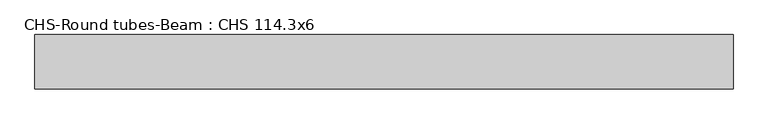
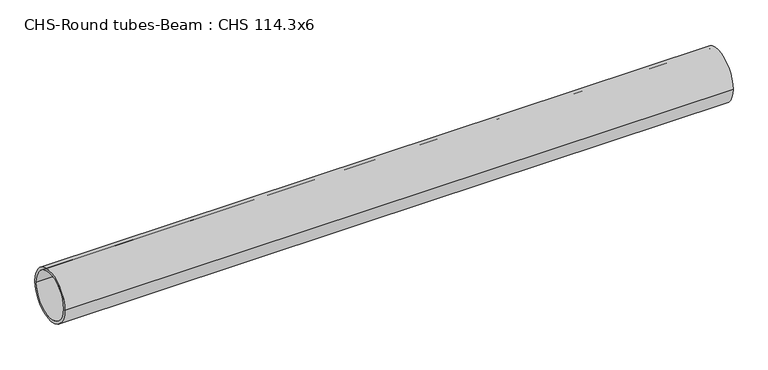
"""IFC4 building model written with IfcOpenShell, lengths in millimetres: beam geometry, CHS-Round tubes-Beam : CHS 114.3x6."""

import ifcopenshell
import ifcopenshell.guid

model = None  # the IFC model being written
_history = None  # IfcOwnerHistory: only IFC2X3 demands one
_inside = {}  # id of a spatial element -> (the spatial element, [elements in it])
_under = {}  # id of a project, library or spatial element -> (it, [spatial elements below it])
_declared = {}  # id of a project -> (the project, [libraries it declares])
_typed = {}  # id of a type object -> (the type object, [elements of that type])
_made_of = {}  # id of a material, layer set ... -> (it, [elements and type objects made of it])


def new_model(schema):
    """Start an empty IFC model of exactly this schema.

    Asked for "IFC4X3", IfcOpenShell would pick the latest addendum, in which some entities
    have other attributes; the version numbers below select the first issue.
    IFC2X3 requires an IfcOwnerHistory on every rooted entity: one is made here for all.
    """
    global model, _history
    if schema == "IFC4X3":
        model = ifcopenshell.file(schema_version=(4, 3, 0, 0))
    else:
        model = ifcopenshell.file(schema=schema)
    _inside.clear()
    _under.clear()
    _declared.clear()
    _typed.clear()
    _made_of.clear()
    _history = None
    if model.schema == "IFC2X3":
        org = make("IfcOrganization", Name="unknown")
        user = make(
            "IfcPersonAndOrganization",
            ThePerson=make("IfcPerson", FamilyName="unknown"),
            TheOrganization=org,
        )
        app = make(
            "IfcApplication",
            ApplicationDeveloper=org,
            Version="unknown",
            ApplicationFullName="unknown",
            ApplicationIdentifier="unknown",
        )
        _history = make(
            "IfcOwnerHistory",
            OwningUser=user,
            OwningApplication=app,
            ChangeAction="ADDED",
            CreationDate=0,
        )
    return model


def make(cls, **values):
    """One entity of the class cls with the attributes given. An attribute that is None is left unset."""
    return model.create_entity(
        cls, **{name: value for name, value in values.items() if value is not None}
    )


def rooted(cls, **values):
    """An entity with a GlobalId (a new one), such as an element, a storey or a relation."""
    return make(cls, GlobalId=ifcopenshell.guid.new(), OwnerHistory=_history, **values)


def si_unit(unit_type, name, prefix=None):
    """IfcSIUnit, for example si_unit("LENGTHUNIT", "METRE", prefix="MILLI")."""
    return make("IfcSIUnit", UnitType=unit_type, Prefix=prefix, Name=name)


def assignment(units):
    """IfcUnitAssignment: the units of a project."""
    return None if units is None else make("IfcUnitAssignment", Units=units)


def point(xyz):
    """IfcCartesianPoint."""
    return None if xyz is None else make("IfcCartesianPoint", Coordinates=xyz)


def direction(xyz):
    """IfcDirection."""
    return None if xyz is None else make("IfcDirection", DirectionRatios=xyz)


def frame(location, z_axis=None, x_axis=None):
    """IfcAxis2Placement3D, a coordinate frame: its origin and axes. An axis left out is left unset."""
    return make(
        "IfcAxis2Placement3D",
        Location=point(location),
        Axis=direction(z_axis),
        RefDirection=direction(x_axis),
    )


def frame_2d(location, x_axis=None):
    """IfcAxis2Placement2D, a coordinate frame in the plane: its origin and x axis."""
    return make(
        "IfcAxis2Placement2D", Location=point(location), RefDirection=direction(x_axis)
    )


def origin():
    """The frame at (0, 0, 0) with its axes left unset."""
    return frame((0.0, 0.0, 0.0))


def origin_2d():
    """The frame at (0, 0) in the plane with its x axis left unset."""
    return frame_2d((0.0, 0.0))


def place(relative_to, where):
    """IfcLocalPlacement: puts the frame where relative to a parent placement (None: the world)."""
    return make(
        "IfcLocalPlacement", PlacementRelTo=relative_to, RelativePlacement=where
    )


def context(
    kind, dimensions, precision=None, world=None, true_north=None, identifier=None
):
    """IfcGeometricRepresentationContext, for example the 3D "Model" context."""
    return make(
        "IfcGeometricRepresentationContext",
        ContextIdentifier=identifier,
        ContextType=kind,
        CoordinateSpaceDimension=dimensions,
        Precision=precision,
        WorldCoordinateSystem=world,
        TrueNorth=true_north,
    )


def project(units=None, contexts=None):
    """IfcProject with its units and contexts."""
    return rooted(
        "IfcProject",
        Name="project",
        RepresentationContexts=contexts,
        UnitsInContext=assignment(units),
    )


def spatial(cls, under=None, at=None, **own):
    """A site, building, storey or space (cls), placed at a placement, below another one or the project."""
    s = rooted(cls, ObjectPlacement=at, **own)
    if under is not None:
        _under.setdefault(under.id(), (under, []))[1].append(s)
    return s


def circle_curve(where, radius):
    """IfcCircle in the frame where."""
    return make("IfcCircle", Position=where, Radius=radius)


def trimmed(basis, trim1, trim2, sense, master):
    """IfcTrimmedCurve: the piece of a basis curve between two trims."""
    return make(
        "IfcTrimmedCurve",
        BasisCurve=basis,
        Trim1=trim1,
        Trim2=trim2,
        SenseAgreement=sense,
        MasterRepresentation=master,
    )


def segment(curve, same_sense, transition):
    """IfcCompositeCurveSegment."""
    return make(
        "IfcCompositeCurveSegment",
        Transition=transition,
        SameSense=same_sense,
        ParentCurve=curve,
    )


def composite_curve(segments, self_intersect=None):
    """IfcCompositeCurve: segments joined end to end."""
    return make("IfcCompositeCurve", Segments=segments, SelfIntersect=self_intersect)


def outline(outer, holes=None, kind="AREA"):
    """IfcArbitraryClosedProfileDef: a profile drawn as a closed curve; with holes, ...WithVoids."""
    if holes is None:
        return make("IfcArbitraryClosedProfileDef", ProfileType=kind, OuterCurve=outer)
    return make(
        "IfcArbitraryProfileDefWithVoids",
        ProfileType=kind,
        OuterCurve=outer,
        InnerCurves=holes,
    )


def extrude(swept, where, along, depth):
    """IfcExtrudedAreaSolid: the profile swept, set in the frame where, extruded along a direction by depth."""
    return make(
        "IfcExtrudedAreaSolid",
        SweptArea=swept,
        Position=where,
        ExtrudedDirection=direction(along),
        Depth=depth,
    )


def shape(context_of_items, identifier, shape_type, items):
    """IfcShapeRepresentation: the items that make up one representation, for example the "Body"."""
    return make(
        "IfcShapeRepresentation",
        ContextOfItems=context_of_items,
        RepresentationIdentifier=identifier,
        RepresentationType=shape_type,
        Items=items,
    )


def source(mapping_origin, context_of_items, identifier, shape_type, items):
    """IfcRepresentationMap: a shape defined once, which mapped items show again and again."""
    return make(
        "IfcRepresentationMap",
        MappingOrigin=mapping_origin,
        MappedRepresentation=shape(context_of_items, identifier, shape_type, items),
    )


def transform(
    local_origin,
    x_axis=None,
    y_axis=None,
    z_axis=None,
    scale=None,
    scale2=None,
    scale3=None,
    uniform=True,
):
    """IfcCartesianTransformationOperator3D, or its non-uniform kind. x_axis, y_axis, z_axis: its Axis1, 2, 3."""
    if uniform:
        return make(
            "IfcCartesianTransformationOperator3D",
            Axis1=direction(x_axis),
            Axis2=direction(y_axis),
            LocalOrigin=point(local_origin),
            Scale=scale,
            Axis3=direction(z_axis),
        )
    return make(
        "IfcCartesianTransformationOperator3DnonUniform",
        Axis1=direction(x_axis),
        Axis2=direction(y_axis),
        LocalOrigin=point(local_origin),
        Scale=scale,
        Axis3=direction(z_axis),
        Scale2=scale2,
        Scale3=scale3,
    )


def mapped(mapping_source, mapping_target):
    """IfcMappedItem: shows the shape of a source again, moved by a transform."""
    return make(
        "IfcMappedItem", MappingSource=mapping_source, MappingTarget=mapping_target
    )


def made_of(thing, what):
    """Note that an element or type object is made of a material, layer set ...; save() writes the relation."""
    if what is not None:
        _made_of.setdefault(what.id(), (what, []))[1].append(thing)
    return thing


def element(
    cls,
    number,
    at=None,
    inside=None,
    cuts=None,
    type_object=None,
    material=None,
    context=None,
    identifier="Body",
    shape_type=None,
    held_by="IfcProductDefinitionShape",
    body=None,
    shapes=None,
    **own,
):
    """One element of the class cls, such as IfcWall. Its Tag is "e" and its number.

    at: its placement. inside: the storey or other place that contains it. cuts: it is an
    opening in that element (IfcRelVoidsElement). A single representation is given by context,
    identifier, shape_type and body (its items); several are given by shapes. held_by: the class
    of the entity that holds the representations. save() writes the other relations.
    """
    e = rooted(cls, Tag="e%d" % number, ObjectPlacement=at, **own)
    if body is not None:
        shapes = [shape(context, identifier, shape_type, body)]
    if shapes is not None:
        e.Representation = make(held_by, Representations=shapes)
    if inside is not None:
        _inside.setdefault(inside.id(), (inside, []))[1].append(e)
    if cuts is not None:
        rooted(
            "IfcRelVoidsElement", RelatingBuildingElement=cuts, RelatedOpeningElement=e
        )
    if type_object is not None:
        _typed.setdefault(type_object.id(), (type_object, []))[1].append(e)
    return made_of(e, material)


def aggregate(whole, parts):
    """IfcRelAggregates: a whole, such as a stair, and the parts it consists of."""
    return rooted("IfcRelAggregates", RelatingObject=whole, RelatedObjects=parts)


def save(model, path):
    """Write the relations noted so far, then the file.

    IfcRelAggregates (storeys below a building ...), IfcRelContainedInSpatialStructure (elements
    in a storey), IfcRelDefinesByType, IfcRelAssociatesMaterial and IfcRelDeclares: one each for
    every whole, place, type object, material and project.
    """
    for whole, parts in _under.values():
        aggregate(whole, parts)
    for where, things in _inside.values():
        rooted(
            "IfcRelContainedInSpatialStructure",
            RelatedElements=things,
            RelatingStructure=where,
        )
    for kind, things in _typed.values():
        rooted("IfcRelDefinesByType", RelatedObjects=things, RelatingType=kind)
    for what, things in _made_of.values():
        rooted("IfcRelAssociatesMaterial", RelatedObjects=things, RelatingMaterial=what)
    for by, libraries in _declared.values():
        rooted("IfcRelDeclares", RelatingContext=by, RelatedDefinitions=libraries)
    model.write(path)


def chs_round_tubes_beam_chs_114_3x6_c0ee7112(model_context):
    return source(origin(), model_context, "Body", "SweptSolid", [
        extrude(outline(composite_curve([segment(trimmed(circle_curve(origin_2d(), 57.15), [point((57.15, 0.0))], [point((-57.15, 0.0))], False, "CARTESIAN"), True, "CONTINUOUS"), segment(trimmed(circle_curve(origin_2d(), 57.15), [point((-57.15, 0.0))], [point((57.15, 0.0))], False, "CARTESIAN"), True, "CONTINUOUS")], self_intersect=False), holes=[composite_curve([segment(trimmed(circle_curve(origin_2d(), 51.15), [point((51.15, 0.0))], [point((-51.15, 0.0))], True, "CARTESIAN"), True, "CONTINUOUS"), segment(trimmed(circle_curve(origin_2d(), 51.15), [point((-51.15, 0.0))], [point((51.15, 0.0))], True, "CARTESIAN"), True, "CONTINUOUS")], self_intersect=False)]), frame((-736.5214473, 0.0, 0.0), z_axis=(1.0, 0.0, 0.0), x_axis=(0.0, 1.0, 0.0)), (0.0, 0.0, 1.0), 1472.9822337),
    ])


if __name__ == "__main__":
    model = new_model("IFC4")
    model_context = context("Model", 3, world=origin())
    ifc_project = project(units=[si_unit("LENGTHUNIT", "METRE", prefix="MILLI")], contexts=[model_context])
    site = spatial("IfcSite", under=ifc_project)
    building = spatial("IfcBuilding", under=site)
    placement = place(None, origin())
    chs_round_tubes_beam_chs_114_3x6_shape = chs_round_tubes_beam_chs_114_3x6_c0ee7112(model_context)
    element("IfcBeam", 1, ObjectType="CHS-Round tubes-Beam : CHS 114.3x6", at=placement, inside=building, context=model_context, shape_type="MappedRepresentation", body=[
        mapped(chs_round_tubes_beam_chs_114_3x6_shape, transform((0.0, 0.0, 0.0), x_axis=(1.0, 0.0, 0.0), y_axis=(0.0, 1.0, 0.0), z_axis=(0.0, 0.0, 1.0))),
    ])
    save(model, "model.ifc")
